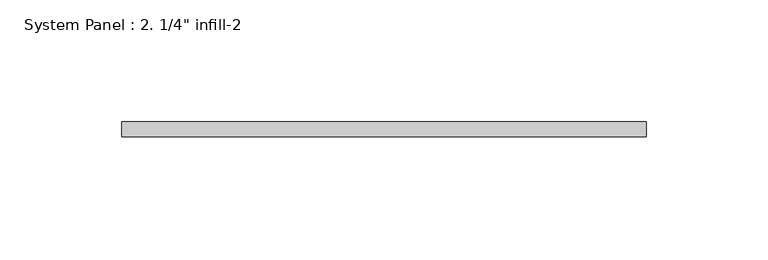
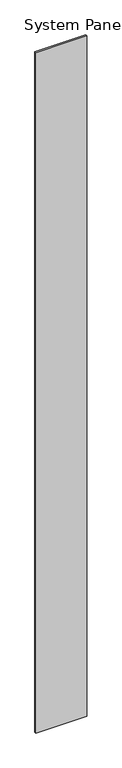
"""IFC4 building model written with IfcOpenShell, lengths in millimetres: plate geometry."""

from ifc_helpers import new_model, si_unit, origin, origin_with_axes, place, context, project, spatial, polyline, outline, extrude, source, transform, mapped, element, save


def plate_34986c04(model_context):
    return source(origin(), model_context, "Body", "SweptSolid", [
        extrude(outline(polyline([(107.95, 0.0), (-107.95, 0.0), (-107.95, 6.35), (107.95, 6.35), (107.95, 0.0)])), origin_with_axes(), (0.0, 0.0, 1.0), 3048.0),
    ])


if __name__ == "__main__":
    model = new_model("IFC4")
    model_context = context("Model", 3, world=origin())
    ifc_project = project(units=[si_unit("LENGTHUNIT", "METRE", prefix="MILLI")], contexts=[model_context])
    site = spatial("IfcSite", under=ifc_project)
    building = spatial("IfcBuilding", under=site)
    placement = place(None, origin())
    plate_shape = plate_34986c04(model_context)
    element("IfcPlate", 1, ObjectType="System Panel : 2. 1/4\" infill-2", at=placement, inside=building, context=model_context, shape_type="MappedRepresentation", body=[
        mapped(plate_shape, transform((0.0, 0.0, 0.0), x_axis=(1.0, 0.0, 0.0), y_axis=(0.0, 1.0, 0.0), z_axis=(0.0, 0.0, 1.0))),
    ])
    save(model, "model.ifc")
